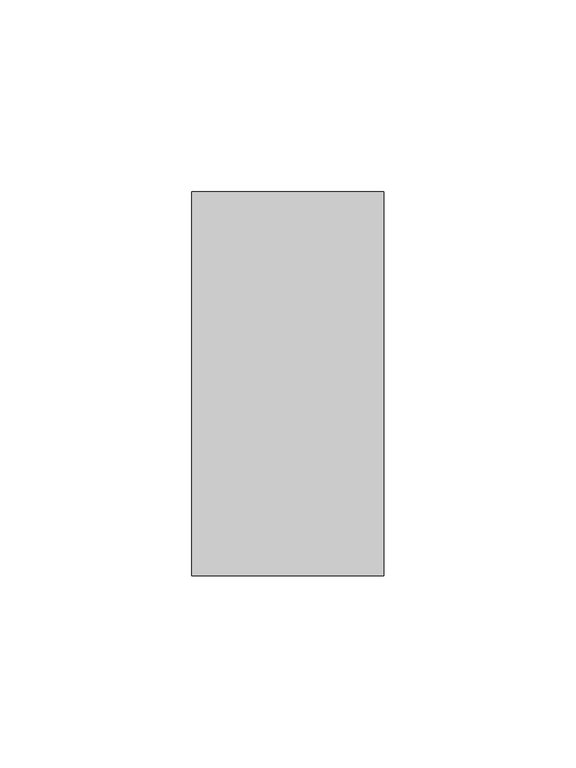
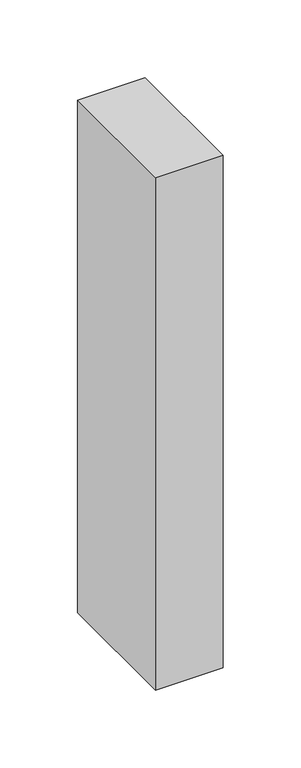
"""IFC4 building model written with IfcOpenShell, lengths in millimetres: member geometry."""

from ifc_helpers import new_model, si_unit, frame, origin, place, context, project, spatial, polyline, outline, extrude, source, transform, mapped, element, save


def member_7325fc2c(model_context):
    return source(origin(), model_context, "Body", "SweptSolid", [
        extrude(outline(polyline([(0.0, 50.0), (0.0, -50.0), (-50.0, -50.0), (-50.0, 50.0), (0.0, 50.0)])), frame((0.0, 0.0, -401.6624409), z_axis=(0.0, 0.0, 1.0), x_axis=(1.0, 0.0, 0.0)), (0.0, 0.0, 1.0), 401.6624409),
    ])


if __name__ == "__main__":
    model = new_model("IFC4")
    model_context = context("Model", 3, world=origin())
    ifc_project = project(units=[si_unit("LENGTHUNIT", "METRE", prefix="MILLI")], contexts=[model_context])
    site = spatial("IfcSite", under=ifc_project)
    building = spatial("IfcBuilding", under=site)
    placement = place(None, origin())
    member_shape = member_7325fc2c(model_context)
    element("IfcMember", 1, at=placement, inside=building, context=model_context, shape_type="MappedRepresentation", body=[
        mapped(member_shape, transform((0.0, 0.0, 0.0), x_axis=(1.0, 0.0, 0.0), y_axis=(0.0, 1.0, 0.0), z_axis=(0.0, 0.0, 1.0))),
    ])
    save(model, "model.ifc")
